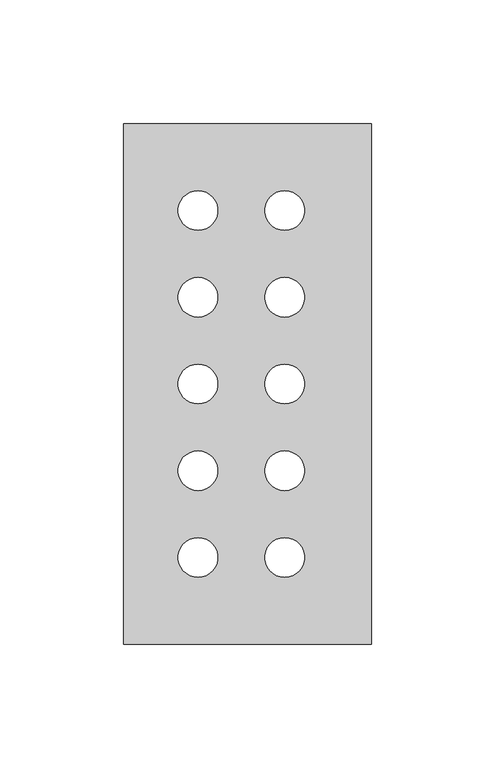
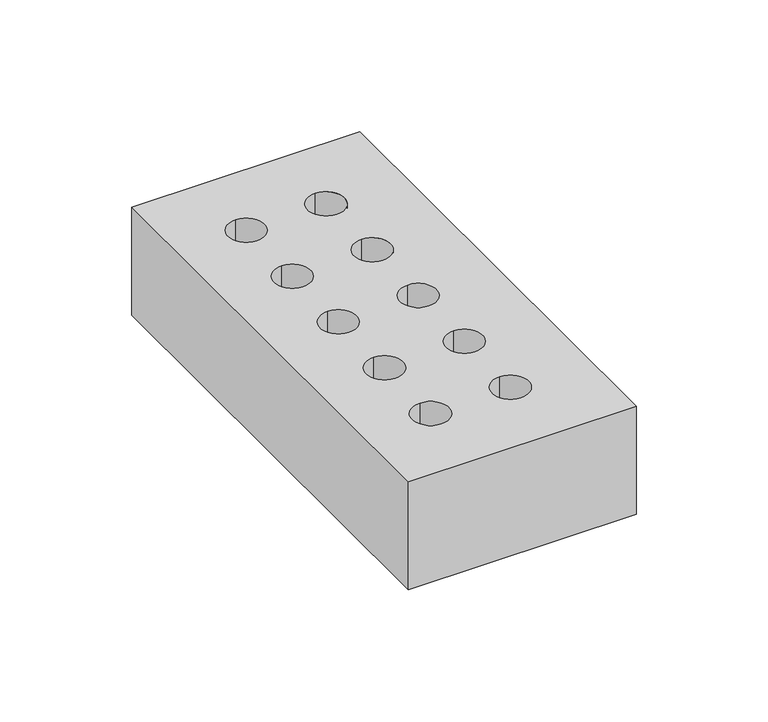
"""IFC4 building model written with IfcOpenShell, lengths in millimetres: proxy geometry."""

from ifc_helpers import new_model, si_unit, point, frame_2d, origin, origin_with_axes, place, context, project, spatial, polyline, circle_curve, trimmed, segment, composite_curve, outline, extrude, source, transform, mapped, element, save


def generic_models_480b3b78(model_context):
    return source(origin(), model_context, "Body", "SweptSolid", [
        extrude(outline(polyline([(0.0, 210.0), (100.0, 210.0), (100.0, 0.0), (0.0, 0.0), (0.0, 210.0)]), holes=[composite_curve([segment(trimmed(circle_curve(frame_2d((65.0, 35.0)), 8.0), [point((65.0, 43.0))], [point((65.0, 27.0))], True, "CARTESIAN"), True, "CONTINUOUS"), segment(trimmed(circle_curve(frame_2d((65.0, 35.0)), 8.0), [point((65.0, 27.0))], [point((65.0, 43.0))], True, "CARTESIAN"), True, "CONTINUOUS")], self_intersect=False), composite_curve([segment(trimmed(circle_curve(frame_2d((30.0, 35.0)), 8.0), [point((30.0, 43.0))], [point((30.0, 27.0))], True, "CARTESIAN"), True, "CONTINUOUS"), segment(trimmed(circle_curve(frame_2d((30.0, 35.0)), 8.0), [point((30.0, 27.0))], [point((30.0, 43.0))], True, "CARTESIAN"), True, "CONTINUOUS")], self_intersect=False), composite_curve([segment(trimmed(circle_curve(frame_2d((30.0, 105.0)), 8.0), [point((30.0, 113.0))], [point((30.0, 97.0))], True, "CARTESIAN"), True, "CONTINUOUS"), segment(trimmed(circle_curve(frame_2d((30.0, 105.0)), 8.0), [point((30.0, 97.0))], [point((30.0, 113.0))], True, "CARTESIAN"), True, "CONTINUOUS")], self_intersect=False), composite_curve([segment(trimmed(circle_curve(frame_2d((30.0, 140.0)), 8.0), [point((30.0, 148.0))], [point((30.0, 132.0))], True, "CARTESIAN"), True, "CONTINUOUS"), segment(trimmed(circle_curve(frame_2d((30.0, 140.0)), 8.0), [point((30.0, 132.0))], [point((30.0, 148.0))], True, "CARTESIAN"), True, "CONTINUOUS")], self_intersect=False), composite_curve([segment(trimmed(circle_curve(frame_2d((30.0, 175.0)), 8.0), [point((30.0, 183.0))], [point((30.0, 167.0))], True, "CARTESIAN"), True, "CONTINUOUS"), segment(trimmed(circle_curve(frame_2d((30.0, 175.0)), 8.0), [point((30.0, 167.0))], [point((30.0, 183.0))], True, "CARTESIAN"), True, "CONTINUOUS")], self_intersect=False), composite_curve([segment(trimmed(circle_curve(frame_2d((30.0, 70.0)), 8.0), [point((30.0, 78.0))], [point((30.0, 62.0))], True, "CARTESIAN"), True, "CONTINUOUS"), segment(trimmed(circle_curve(frame_2d((30.0, 70.0)), 8.0), [point((30.0, 62.0))], [point((30.0, 78.0))], True, "CARTESIAN"), True, "CONTINUOUS")], self_intersect=False), composite_curve([segment(trimmed(circle_curve(frame_2d((65.0, 175.0)), 8.0), [point((65.0, 183.0))], [point((65.0, 167.0))], True, "CARTESIAN"), True, "CONTINUOUS"), segment(trimmed(circle_curve(frame_2d((65.0, 175.0)), 8.0), [point((65.0, 167.0))], [point((65.0, 183.0))], True, "CARTESIAN"), True, "CONTINUOUS")], self_intersect=False), composite_curve([segment(trimmed(circle_curve(frame_2d((65.0, 140.0)), 8.0), [point((65.0, 148.0))], [point((65.0, 132.0))], True, "CARTESIAN"), True, "CONTINUOUS"), segment(trimmed(circle_curve(frame_2d((65.0, 140.0)), 8.0), [point((65.0, 132.0))], [point((65.0, 148.0))], True, "CARTESIAN"), True, "CONTINUOUS")], self_intersect=False), composite_curve([segment(trimmed(circle_curve(frame_2d((65.0, 105.0)), 8.0), [point((65.0, 113.0))], [point((65.0, 97.0))], True, "CARTESIAN"), True, "CONTINUOUS"), segment(trimmed(circle_curve(frame_2d((65.0, 105.0)), 8.0), [point((65.0, 97.0))], [point((65.0, 113.0))], True, "CARTESIAN"), True, "CONTINUOUS")], self_intersect=False), composite_curve([segment(trimmed(circle_curve(frame_2d((65.0, 70.0)), 8.0), [point((65.0, 78.0))], [point((65.0, 62.0))], True, "CARTESIAN"), True, "CONTINUOUS"), segment(trimmed(circle_curve(frame_2d((65.0, 70.0)), 8.0), [point((65.0, 62.0))], [point((65.0, 78.0))], True, "CARTESIAN"), True, "CONTINUOUS")], self_intersect=False)]), origin_with_axes(), (0.0, 0.0, 1.0), 50.0),
    ])


if __name__ == "__main__":
    model = new_model("IFC4")
    model_context = context("Model", 3, world=origin())
    ifc_project = project(units=[si_unit("LENGTHUNIT", "METRE", prefix="MILLI")], contexts=[model_context])
    site = spatial("IfcSite", under=ifc_project)
    building = spatial("IfcBuilding", under=site)
    placement = place(None, origin())
    generic_models_shape = generic_models_480b3b78(model_context)
    element("IfcBuildingElementProxy", 1, Name="Generic Models", at=placement, inside=building, context=model_context, shape_type="MappedRepresentation", body=[
        mapped(generic_models_shape, transform((0.0, 0.0, 0.0), x_axis=(1.0, 0.0, 0.0), y_axis=(0.0, 1.0, 0.0), z_axis=(0.0, 0.0, 1.0))),
    ])
    save(model, "model.ifc")
